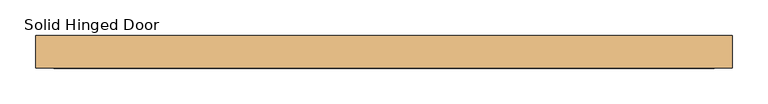
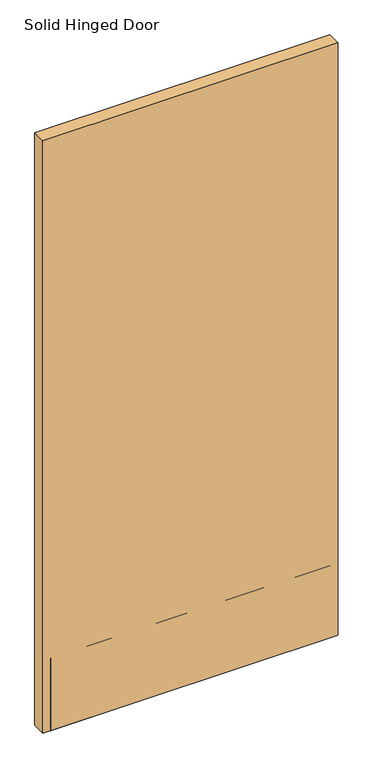
"""IFC4 building model written with IfcOpenShell, lengths in millimetres: door geometry, Solid Hinged Door."""

from ifc_helpers import new_model, si_unit, frame, origin, place, context, project, spatial, polyline, outline, extrude, faceted_brep, source, transform, mapped, element, save


def solid_hinged_door_95d3dafd(model_context):
    return source(origin(), model_context, "Body", "SolidModel", [
        faceted_brep([(490.4564326, -23.114, 12.7), (-490.4564326, -23.114, 12.7), (-490.4564326, 23.114, 12.7), (490.4564326, 23.114, 12.7), (490.4564326, 7.1501, 12.7), (-484.1064326, 7.1501, 12.7), (-484.1064326, -7.1501, 12.7), (490.4564326, -7.1501, 12.7), (490.4564326, 23.114, 2093.9635027), (490.4564326, -23.114, 2093.9635027), (490.4564326, -7.1501, 50.8), (490.4564326, 7.1501, 50.8), (-490.4564326, -23.114, 2093.9635027), (-490.4564326, 23.114, 2093.9635027), (-484.1064326, 7.1501, 50.8), (-484.1064326, -7.1501, 50.8)], [[[0, 1, 2, 3, 4, 5, 6, 7]], [[8, 9, 0, 7, 10, 11, 4, 3]], [[9, 12, 1, 0]], [[12, 13, 2, 1]], [[13, 8, 3, 2]], [[8, 13, 12, 9]], [[11, 14, 5, 4]], [[14, 15, 6, 5]], [[15, 10, 7, 6]], [[15, 14, 11, 10]]]),
        extrude(outline(polyline([(465.0564326, -9.8925062), (465.0564326, -11.4927062), (-465.0564326, -11.4927062), (-465.0564326, -9.8925062), (465.0564326, -9.8925062)])), frame((0.0, 0.0, 12.7), z_axis=(0.0, 0.0, 1.0), x_axis=(1.0, 0.0, 0.0)), (0.0, 0.0, 1.0), 254.0),
        extrude(outline(polyline([(465.0564326, -21.5138), (465.0564326, -23.114), (-465.0564326, -23.114), (-465.0564326, -21.5138), (465.0564326, -21.5138)])), frame((0.0, 0.0, 12.7), z_axis=(0.0, 0.0, 1.0), x_axis=(1.0, 0.0, 0.0)), (0.0, 0.0, 1.0), 254.0),
    ])


if __name__ == "__main__":
    model = new_model("IFC4")
    model_context = context("Model", 3, world=origin())
    ifc_project = project(units=[si_unit("LENGTHUNIT", "METRE", prefix="MILLI")], contexts=[model_context])
    site = spatial("IfcSite", under=ifc_project)
    building = spatial("IfcBuilding", under=site)
    placement = place(None, origin())
    solid_hinged_door_shape = solid_hinged_door_95d3dafd(model_context)
    element("IfcDoor", 1, ObjectType="Solid Hinged Door", at=placement, inside=building, context=model_context, shape_type="MappedRepresentation", body=[
        mapped(solid_hinged_door_shape, transform((0.0, 0.0, 0.0), x_axis=(1.0, 0.0, 0.0), y_axis=(0.0, 1.0, 0.0), z_axis=(0.0, 0.0, 1.0))),
    ])
    save(model, "model.ifc")
